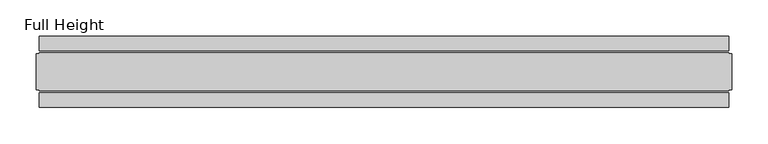
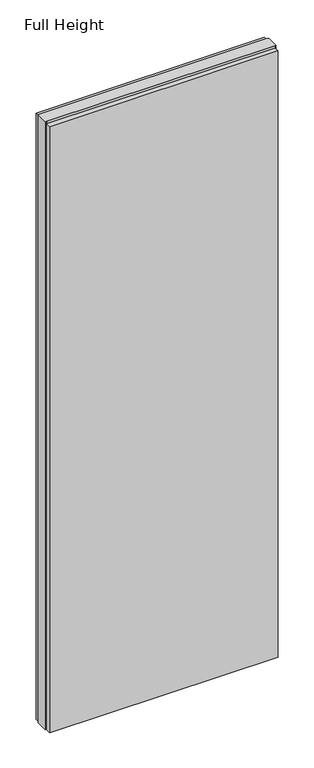
"""IFC4 building model written with IfcOpenShell, lengths in millimetres: plate geometry, Full Height."""

import ifcopenshell
import ifcopenshell.guid

model = None  # the IFC model being written
_history = None  # IfcOwnerHistory: only IFC2X3 demands one
_inside = {}  # id of a spatial element -> (the spatial element, [elements in it])
_under = {}  # id of a project, library or spatial element -> (it, [spatial elements below it])
_declared = {}  # id of a project -> (the project, [libraries it declares])
_typed = {}  # id of a type object -> (the type object, [elements of that type])
_made_of = {}  # id of a material, layer set ... -> (it, [elements and type objects made of it])


def new_model(schema):
    """Start an empty IFC model of exactly this schema.

    Asked for "IFC4X3", IfcOpenShell would pick the latest addendum, in which some entities
    have other attributes; the version numbers below select the first issue.
    IFC2X3 requires an IfcOwnerHistory on every rooted entity: one is made here for all.
    """
    global model, _history
    if schema == "IFC4X3":
        model = ifcopenshell.file(schema_version=(4, 3, 0, 0))
    else:
        model = ifcopenshell.file(schema=schema)
    _inside.clear()
    _under.clear()
    _declared.clear()
    _typed.clear()
    _made_of.clear()
    _history = None
    if model.schema == "IFC2X3":
        org = make("IfcOrganization", Name="unknown")
        user = make(
            "IfcPersonAndOrganization",
            ThePerson=make("IfcPerson", FamilyName="unknown"),
            TheOrganization=org,
        )
        app = make(
            "IfcApplication",
            ApplicationDeveloper=org,
            Version="unknown",
            ApplicationFullName="unknown",
            ApplicationIdentifier="unknown",
        )
        _history = make(
            "IfcOwnerHistory",
            OwningUser=user,
            OwningApplication=app,
            ChangeAction="ADDED",
            CreationDate=0,
        )
    return model


def make(cls, **values):
    """One entity of the class cls with the attributes given. An attribute that is None is left unset."""
    return model.create_entity(
        cls, **{name: value for name, value in values.items() if value is not None}
    )


def rooted(cls, **values):
    """An entity with a GlobalId (a new one), such as an element, a storey or a relation."""
    return make(cls, GlobalId=ifcopenshell.guid.new(), OwnerHistory=_history, **values)


def si_unit(unit_type, name, prefix=None):
    """IfcSIUnit, for example si_unit("LENGTHUNIT", "METRE", prefix="MILLI")."""
    return make("IfcSIUnit", UnitType=unit_type, Prefix=prefix, Name=name)


def assignment(units):
    """IfcUnitAssignment: the units of a project."""
    return None if units is None else make("IfcUnitAssignment", Units=units)


def point(xyz):
    """IfcCartesianPoint."""
    return None if xyz is None else make("IfcCartesianPoint", Coordinates=xyz)


def direction(xyz):
    """IfcDirection."""
    return None if xyz is None else make("IfcDirection", DirectionRatios=xyz)


def frame(location, z_axis=None, x_axis=None):
    """IfcAxis2Placement3D, a coordinate frame: its origin and axes. An axis left out is left unset."""
    return make(
        "IfcAxis2Placement3D",
        Location=point(location),
        Axis=direction(z_axis),
        RefDirection=direction(x_axis),
    )


def origin():
    """The frame at (0, 0, 0) with its axes left unset."""
    return frame((0.0, 0.0, 0.0))


def origin_with_axes():
    """The frame at (0, 0, 0) with the z axis (0, 0, 1) and the x axis (1, 0, 0) written out."""
    return frame((0.0, 0.0, 0.0), z_axis=(0.0, 0.0, 1.0), x_axis=(1.0, 0.0, 0.0))


def place(relative_to, where):
    """IfcLocalPlacement: puts the frame where relative to a parent placement (None: the world)."""
    return make(
        "IfcLocalPlacement", PlacementRelTo=relative_to, RelativePlacement=where
    )


def context(
    kind, dimensions, precision=None, world=None, true_north=None, identifier=None
):
    """IfcGeometricRepresentationContext, for example the 3D "Model" context."""
    return make(
        "IfcGeometricRepresentationContext",
        ContextIdentifier=identifier,
        ContextType=kind,
        CoordinateSpaceDimension=dimensions,
        Precision=precision,
        WorldCoordinateSystem=world,
        TrueNorth=true_north,
    )


def project(units=None, contexts=None):
    """IfcProject with its units and contexts."""
    return rooted(
        "IfcProject",
        Name="project",
        RepresentationContexts=contexts,
        UnitsInContext=assignment(units),
    )


def spatial(cls, under=None, at=None, **own):
    """A site, building, storey or space (cls), placed at a placement, below another one or the project."""
    s = rooted(cls, ObjectPlacement=at, **own)
    if under is not None:
        _under.setdefault(under.id(), (under, []))[1].append(s)
    return s


def polyline(points):
    """IfcPolyline through the points."""
    return make("IfcPolyline", Points=[point(p) for p in points])


def outline(outer, holes=None, kind="AREA"):
    """IfcArbitraryClosedProfileDef: a profile drawn as a closed curve; with holes, ...WithVoids."""
    if holes is None:
        return make("IfcArbitraryClosedProfileDef", ProfileType=kind, OuterCurve=outer)
    return make(
        "IfcArbitraryProfileDefWithVoids",
        ProfileType=kind,
        OuterCurve=outer,
        InnerCurves=holes,
    )


def extrude(swept, where, along, depth):
    """IfcExtrudedAreaSolid: the profile swept, set in the frame where, extruded along a direction by depth."""
    return make(
        "IfcExtrudedAreaSolid",
        SweptArea=swept,
        Position=where,
        ExtrudedDirection=direction(along),
        Depth=depth,
    )


def shape(context_of_items, identifier, shape_type, items):
    """IfcShapeRepresentation: the items that make up one representation, for example the "Body"."""
    return make(
        "IfcShapeRepresentation",
        ContextOfItems=context_of_items,
        RepresentationIdentifier=identifier,
        RepresentationType=shape_type,
        Items=items,
    )


def source(mapping_origin, context_of_items, identifier, shape_type, items):
    """IfcRepresentationMap: a shape defined once, which mapped items show again and again."""
    return make(
        "IfcRepresentationMap",
        MappingOrigin=mapping_origin,
        MappedRepresentation=shape(context_of_items, identifier, shape_type, items),
    )


def transform(
    local_origin,
    x_axis=None,
    y_axis=None,
    z_axis=None,
    scale=None,
    scale2=None,
    scale3=None,
    uniform=True,
):
    """IfcCartesianTransformationOperator3D, or its non-uniform kind. x_axis, y_axis, z_axis: its Axis1, 2, 3."""
    if uniform:
        return make(
            "IfcCartesianTransformationOperator3D",
            Axis1=direction(x_axis),
            Axis2=direction(y_axis),
            LocalOrigin=point(local_origin),
            Scale=scale,
            Axis3=direction(z_axis),
        )
    return make(
        "IfcCartesianTransformationOperator3DnonUniform",
        Axis1=direction(x_axis),
        Axis2=direction(y_axis),
        LocalOrigin=point(local_origin),
        Scale=scale,
        Axis3=direction(z_axis),
        Scale2=scale2,
        Scale3=scale3,
    )


def mapped(mapping_source, mapping_target):
    """IfcMappedItem: shows the shape of a source again, moved by a transform."""
    return make(
        "IfcMappedItem", MappingSource=mapping_source, MappingTarget=mapping_target
    )


def made_of(thing, what):
    """Note that an element or type object is made of a material, layer set ...; save() writes the relation."""
    if what is not None:
        _made_of.setdefault(what.id(), (what, []))[1].append(thing)
    return thing


def element(
    cls,
    number,
    at=None,
    inside=None,
    cuts=None,
    type_object=None,
    material=None,
    context=None,
    identifier="Body",
    shape_type=None,
    held_by="IfcProductDefinitionShape",
    body=None,
    shapes=None,
    **own,
):
    """One element of the class cls, such as IfcWall. Its Tag is "e" and its number.

    at: its placement. inside: the storey or other place that contains it. cuts: it is an
    opening in that element (IfcRelVoidsElement). A single representation is given by context,
    identifier, shape_type and body (its items); several are given by shapes. held_by: the class
    of the entity that holds the representations. save() writes the other relations.
    """
    e = rooted(cls, Tag="e%d" % number, ObjectPlacement=at, **own)
    if body is not None:
        shapes = [shape(context, identifier, shape_type, body)]
    if shapes is not None:
        e.Representation = make(held_by, Representations=shapes)
    if inside is not None:
        _inside.setdefault(inside.id(), (inside, []))[1].append(e)
    if cuts is not None:
        rooted(
            "IfcRelVoidsElement", RelatingBuildingElement=cuts, RelatedOpeningElement=e
        )
    if type_object is not None:
        _typed.setdefault(type_object.id(), (type_object, []))[1].append(e)
    return made_of(e, material)


def aggregate(whole, parts):
    """IfcRelAggregates: a whole, such as a stair, and the parts it consists of."""
    return rooted("IfcRelAggregates", RelatingObject=whole, RelatedObjects=parts)


def save(model, path):
    """Write the relations noted so far, then the file.

    IfcRelAggregates (storeys below a building ...), IfcRelContainedInSpatialStructure (elements
    in a storey), IfcRelDefinesByType, IfcRelAssociatesMaterial and IfcRelDeclares: one each for
    every whole, place, type object, material and project.
    """
    for whole, parts in _under.values():
        aggregate(whole, parts)
    for where, things in _inside.values():
        rooted(
            "IfcRelContainedInSpatialStructure",
            RelatedElements=things,
            RelatingStructure=where,
        )
    for kind, things in _typed.values():
        rooted("IfcRelDefinesByType", RelatedObjects=things, RelatingType=kind)
    for what, things in _made_of.values():
        rooted("IfcRelAssociatesMaterial", RelatedObjects=things, RelatingMaterial=what)
    for by, libraries in _declared.values():
        rooted("IfcRelDeclares", RelatingContext=by, RelatedDefinitions=libraries)
    model.write(path)


def full_height_48fb380b(model_context):
    return source(origin(), model_context, "Body", "SweptSolid", [
        extrude(outline(polyline([(478.0279758, 28.956), (-478.0279758, 28.956), (-478.0279758, 49.53), (478.0279758, 49.53), (478.0279758, 28.956)])), origin_with_axes(), (0.0, 0.0, 1.0), 2679.192),
        extrude(outline(polyline([(478.0279758, -28.956), (478.0279758, -49.53), (-478.0279758, -49.53), (-478.0279758, -28.956), (478.0279758, -28.956)])), origin_with_axes(), (0.0, 0.0, 1.0), 2679.192),
        extrude(outline(polyline([(478.0279758, -25.146), (478.0279758, -26.67), (-478.0279758, -26.67), (-478.0279758, -25.146), (-482.5999758, -25.146), (-482.5999758, 25.146), (-478.0279758, 25.146), (-478.0279758, 26.67), (478.0279758, 26.67), (478.0279758, 25.146), (482.5999758, 25.146), (482.5999758, -25.146), (478.0279758, -25.146)])), origin_with_axes(), (0.0, 0.0, 1.0), 2688.336),
    ])


if __name__ == "__main__":
    model = new_model("IFC4")
    model_context = context("Model", 3, world=origin())
    ifc_project = project(units=[si_unit("LENGTHUNIT", "METRE", prefix="MILLI")], contexts=[model_context])
    site = spatial("IfcSite", under=ifc_project)
    building = spatial("IfcBuilding", under=site)
    placement = place(None, origin())
    full_height_shape = full_height_48fb380b(model_context)
    element("IfcPlate", 1, ObjectType="Full Height", at=placement, inside=building, context=model_context, shape_type="MappedRepresentation", body=[
        mapped(full_height_shape, transform((0.0, 0.0, 0.0), x_axis=(1.0, 0.0, 0.0), y_axis=(0.0, 1.0, 0.0), z_axis=(0.0, 0.0, 1.0))),
    ])
    save(model, "model.ifc")
